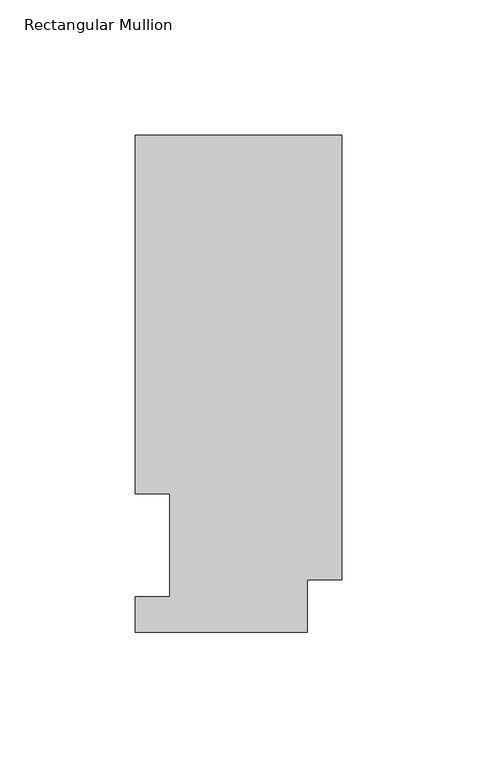
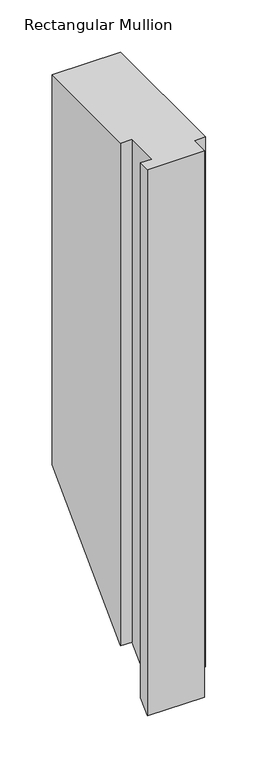
"""IFC4 building model written with IfcOpenShell, lengths in millimetres: member geometry, Rectangular Mullion."""

from ifc_helpers import new_model, si_unit, origin, place, context, project, spatial, faceted_brep, source, transform, mapped, element, save


def rectangular_mullion_402607e4(model_context):
    return source(origin(), model_context, "Body", "Brep", [
        faceted_brep([(-76.2000004, 183.6764448, 0.0), (-76.2000004, 51.2960938, 0.0), (-63.5127002, 51.2960938, 0.0), (-63.5127001, 13.2170446, 0.0), (-76.2, 13.2170446, 0.0), (-76.2, 0.0344446, 0.0), (-12.7, 0.0344448, 0.0), (-12.7, 19.5670448, 0.0), (0.0, 19.5670448, 0.0), (0.0, 183.6764448, 0.0), (-76.2000004, 183.6764448, -457.6735553), (-76.2000004, 51.2960938, -590.0539063), (-63.5127002, 51.2960938, -590.0539063), (-63.5127001, 13.2170446, -628.1329554), (-76.2, 13.2170446, -628.1329554), (-76.2, 0.0344446, -641.3155554), (-12.7, 0.0344448, -641.3155553), (-12.7, 19.5670448, -621.7829553), (0.0, 19.5670448, -621.7829553), (0.0, 183.6764448, -457.6735553)], [[[0, 1, 2, 3, 4, 5, 6, 7, 8, 9]], [[1, 0, 10, 11]], [[2, 1, 11, 12]], [[3, 2, 12, 13]], [[4, 3, 13, 14]], [[5, 4, 14, 15]], [[6, 5, 15, 16]], [[7, 6, 16, 17]], [[8, 7, 17, 18]], [[9, 8, 18, 19]], [[0, 9, 19, 10]], [[10, 19, 18, 17, 16, 15, 14, 13, 12, 11]]]),
    ])


if __name__ == "__main__":
    model = new_model("IFC4")
    model_context = context("Model", 3, world=origin())
    ifc_project = project(units=[si_unit("LENGTHUNIT", "METRE", prefix="MILLI")], contexts=[model_context])
    site = spatial("IfcSite", under=ifc_project)
    building = spatial("IfcBuilding", under=site)
    placement = place(None, origin())
    rectangular_mullion_shape = rectangular_mullion_402607e4(model_context)
    element("IfcMember", 1, ObjectType="Rectangular Mullion", at=placement, inside=building, context=model_context, shape_type="MappedRepresentation", body=[
        mapped(rectangular_mullion_shape, transform((0.0, 0.0, 0.0), x_axis=(1.0, 0.0, 0.0), y_axis=(0.0, 1.0, 0.0), z_axis=(0.0, 0.0, 1.0))),
    ])
    save(model, "model.ifc")
